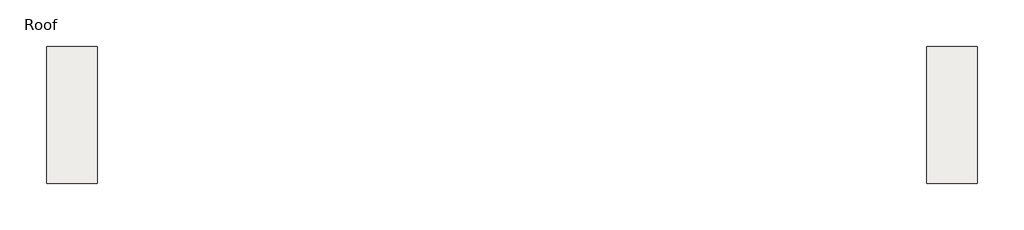
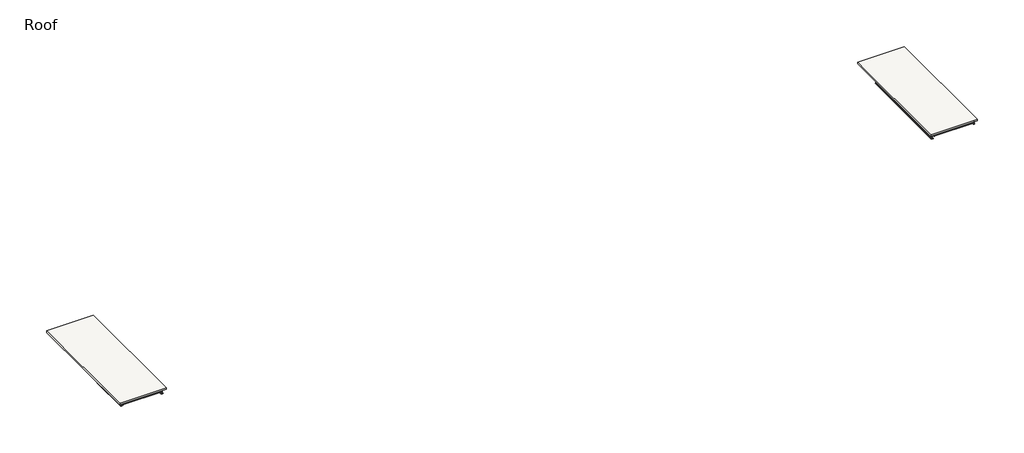
# One storey: 10 beams, 2 slabs.
"""IFC4 building model written with IfcOpenShell, lengths in millimetres."""

import ifcopenshell
import ifcopenshell.guid

model = None  # the IFC model being written
_history = None  # IfcOwnerHistory: only IFC2X3 demands one
_inside = {}  # id of a spatial element -> (the spatial element, [elements in it])
_under = {}  # id of a project, library or spatial element -> (it, [spatial elements below it])
_declared = {}  # id of a project -> (the project, [libraries it declares])
_typed = {}  # id of a type object -> (the type object, [elements of that type])
_made_of = {}  # id of a material, layer set ... -> (it, [elements and type objects made of it])


def new_model(schema):
    """Start an empty IFC model of exactly this schema.

    Asked for "IFC4X3", IfcOpenShell would pick the latest addendum, in which some entities
    have other attributes; the version numbers below select the first issue.
    IFC2X3 requires an IfcOwnerHistory on every rooted entity: one is made here for all.
    """
    global model, _history
    if schema == "IFC4X3":
        model = ifcopenshell.file(schema_version=(4, 3, 0, 0))
    else:
        model = ifcopenshell.file(schema=schema)
    _inside.clear()
    _under.clear()
    _declared.clear()
    _typed.clear()
    _made_of.clear()
    _history = None
    if model.schema == "IFC2X3":
        org = make("IfcOrganization", Name="unknown")
        user = make(
            "IfcPersonAndOrganization",
            ThePerson=make("IfcPerson", FamilyName="unknown"),
            TheOrganization=org,
        )
        app = make(
            "IfcApplication",
            ApplicationDeveloper=org,
            Version="unknown",
            ApplicationFullName="unknown",
            ApplicationIdentifier="unknown",
        )
        _history = make(
            "IfcOwnerHistory",
            OwningUser=user,
            OwningApplication=app,
            ChangeAction="ADDED",
            CreationDate=0,
        )
    return model


def make(cls, **values):
    """One entity of the class cls with the attributes given. An attribute that is None is left unset."""
    return model.create_entity(
        cls, **{name: value for name, value in values.items() if value is not None}
    )


def rooted(cls, **values):
    """An entity with a GlobalId (a new one), such as an element, a storey or a relation."""
    return make(cls, GlobalId=ifcopenshell.guid.new(), OwnerHistory=_history, **values)


def si_unit(unit_type, name, prefix=None):
    """IfcSIUnit, for example si_unit("LENGTHUNIT", "METRE", prefix="MILLI")."""
    return make("IfcSIUnit", UnitType=unit_type, Prefix=prefix, Name=name)


def assignment(units):
    """IfcUnitAssignment: the units of a project."""
    return None if units is None else make("IfcUnitAssignment", Units=units)


def point(xyz):
    """IfcCartesianPoint."""
    return None if xyz is None else make("IfcCartesianPoint", Coordinates=xyz)


def direction(xyz):
    """IfcDirection."""
    return None if xyz is None else make("IfcDirection", DirectionRatios=xyz)


def frame(location, z_axis=None, x_axis=None):
    """IfcAxis2Placement3D, a coordinate frame: its origin and axes. An axis left out is left unset."""
    return make(
        "IfcAxis2Placement3D",
        Location=point(location),
        Axis=direction(z_axis),
        RefDirection=direction(x_axis),
    )


def frame_2d(location, x_axis=None):
    """IfcAxis2Placement2D, a coordinate frame in the plane: its origin and x axis."""
    return make(
        "IfcAxis2Placement2D", Location=point(location), RefDirection=direction(x_axis)
    )


def origin():
    """The frame at (0, 0, 0) with its axes left unset."""
    return frame((0.0, 0.0, 0.0))


def place(relative_to, where):
    """IfcLocalPlacement: puts the frame where relative to a parent placement (None: the world)."""
    return make(
        "IfcLocalPlacement", PlacementRelTo=relative_to, RelativePlacement=where
    )


def context(
    kind, dimensions, precision=None, world=None, true_north=None, identifier=None
):
    """IfcGeometricRepresentationContext, for example the 3D "Model" context."""
    return make(
        "IfcGeometricRepresentationContext",
        ContextIdentifier=identifier,
        ContextType=kind,
        CoordinateSpaceDimension=dimensions,
        Precision=precision,
        WorldCoordinateSystem=world,
        TrueNorth=true_north,
    )


def project(units=None, contexts=None):
    """IfcProject with its units and contexts."""
    return rooted(
        "IfcProject",
        Name="project",
        RepresentationContexts=contexts,
        UnitsInContext=assignment(units),
    )


def spatial(cls, under=None, at=None, **own):
    """A site, building, storey or space (cls), placed at a placement, below another one or the project."""
    s = rooted(cls, ObjectPlacement=at, **own)
    if under is not None:
        _under.setdefault(under.id(), (under, []))[1].append(s)
    return s


def polyline(points):
    """IfcPolyline through the points."""
    return make("IfcPolyline", Points=[point(p) for p in points])


def circle_curve(where, radius):
    """IfcCircle in the frame where."""
    return make("IfcCircle", Position=where, Radius=radius)


def trimmed(basis, trim1, trim2, sense, master):
    """IfcTrimmedCurve: the piece of a basis curve between two trims."""
    return make(
        "IfcTrimmedCurve",
        BasisCurve=basis,
        Trim1=trim1,
        Trim2=trim2,
        SenseAgreement=sense,
        MasterRepresentation=master,
    )


def segment(curve, same_sense, transition):
    """IfcCompositeCurveSegment."""
    return make(
        "IfcCompositeCurveSegment",
        Transition=transition,
        SameSense=same_sense,
        ParentCurve=curve,
    )


def composite_curve(segments, self_intersect=None):
    """IfcCompositeCurve: segments joined end to end."""
    return make("IfcCompositeCurve", Segments=segments, SelfIntersect=self_intersect)


def outline(outer, holes=None, kind="AREA"):
    """IfcArbitraryClosedProfileDef: a profile drawn as a closed curve; with holes, ...WithVoids."""
    if holes is None:
        return make("IfcArbitraryClosedProfileDef", ProfileType=kind, OuterCurve=outer)
    return make(
        "IfcArbitraryProfileDefWithVoids",
        ProfileType=kind,
        OuterCurve=outer,
        InnerCurves=holes,
    )


def extrude(swept, where, along, depth):
    """IfcExtrudedAreaSolid: the profile swept, set in the frame where, extruded along a direction by depth."""
    return make(
        "IfcExtrudedAreaSolid",
        SweptArea=swept,
        Position=where,
        ExtrudedDirection=direction(along),
        Depth=depth,
    )


def faces_of(points, faces, orient=None, outer=None):
    """IfcFace entities. A face is a list of loops; a loop is a list of indices into points, from 0.

    orient and outer hold one flag for each loop. By default every Orientation is true, the
    first loop of a face is its IfcFaceOuterBound and the others are IfcFaceBound.
    """
    made = []
    for i, loops in enumerate(faces):
        bounds = []
        for j, loop in enumerate(loops):
            is_outer = j == 0 if outer is None else outer[i][j]
            bounds.append(
                make(
                    "IfcFaceOuterBound" if is_outer else "IfcFaceBound",
                    Bound=make("IfcPolyLoop", Polygon=[points[k] for k in loop]),
                    Orientation=True if orient is None else orient[i][j],
                )
            )
        made.append(make("IfcFace", Bounds=bounds))
    return made


def faceted_brep(points, faces, orient=None, outer=None, voids=None):
    """IfcFacetedBrep: a solid bounded by flat faces; with voids (closed shells), ...WithVoids."""
    shared = [point(p) for p in points]
    hull = make("IfcClosedShell", CfsFaces=faces_of(shared, faces, orient, outer))
    if voids is None:
        return make("IfcFacetedBrep", Outer=hull)
    return make(
        "IfcFacetedBrepWithVoids",
        Outer=hull,
        Voids=[
            make(cls, CfsFaces=faces_of(shared, fs, o, b)) for cls, fs, o, b in voids
        ],
    )


def shape(context_of_items, identifier, shape_type, items):
    """IfcShapeRepresentation: the items that make up one representation, for example the "Body"."""
    return make(
        "IfcShapeRepresentation",
        ContextOfItems=context_of_items,
        RepresentationIdentifier=identifier,
        RepresentationType=shape_type,
        Items=items,
    )


def source(mapping_origin, context_of_items, identifier, shape_type, items):
    """IfcRepresentationMap: a shape defined once, which mapped items show again and again."""
    return make(
        "IfcRepresentationMap",
        MappingOrigin=mapping_origin,
        MappedRepresentation=shape(context_of_items, identifier, shape_type, items),
    )


def transform(
    local_origin,
    x_axis=None,
    y_axis=None,
    z_axis=None,
    scale=None,
    scale2=None,
    scale3=None,
    uniform=True,
):
    """IfcCartesianTransformationOperator3D, or its non-uniform kind. x_axis, y_axis, z_axis: its Axis1, 2, 3."""
    if uniform:
        return make(
            "IfcCartesianTransformationOperator3D",
            Axis1=direction(x_axis),
            Axis2=direction(y_axis),
            LocalOrigin=point(local_origin),
            Scale=scale,
            Axis3=direction(z_axis),
        )
    return make(
        "IfcCartesianTransformationOperator3DnonUniform",
        Axis1=direction(x_axis),
        Axis2=direction(y_axis),
        LocalOrigin=point(local_origin),
        Scale=scale,
        Axis3=direction(z_axis),
        Scale2=scale2,
        Scale3=scale3,
    )


def mapped(mapping_source, mapping_target):
    """IfcMappedItem: shows the shape of a source again, moved by a transform."""
    return make(
        "IfcMappedItem", MappingSource=mapping_source, MappingTarget=mapping_target
    )


def made_of(thing, what):
    """Note that an element or type object is made of a material, layer set ...; save() writes the relation."""
    if what is not None:
        _made_of.setdefault(what.id(), (what, []))[1].append(thing)
    return thing


def element(
    cls,
    number,
    at=None,
    inside=None,
    cuts=None,
    type_object=None,
    material=None,
    context=None,
    identifier="Body",
    shape_type=None,
    held_by="IfcProductDefinitionShape",
    body=None,
    shapes=None,
    **own,
):
    """One element of the class cls, such as IfcWall. Its Tag is "e" and its number.

    at: its placement. inside: the storey or other place that contains it. cuts: it is an
    opening in that element (IfcRelVoidsElement). A single representation is given by context,
    identifier, shape_type and body (its items); several are given by shapes. held_by: the class
    of the entity that holds the representations. save() writes the other relations.
    """
    e = rooted(cls, Tag="e%d" % number, ObjectPlacement=at, **own)
    if body is not None:
        shapes = [shape(context, identifier, shape_type, body)]
    if shapes is not None:
        e.Representation = make(held_by, Representations=shapes)
    if inside is not None:
        _inside.setdefault(inside.id(), (inside, []))[1].append(e)
    if cuts is not None:
        rooted(
            "IfcRelVoidsElement", RelatingBuildingElement=cuts, RelatedOpeningElement=e
        )
    if type_object is not None:
        _typed.setdefault(type_object.id(), (type_object, []))[1].append(e)
    return made_of(e, material)


def aggregate(whole, parts):
    """IfcRelAggregates: a whole, such as a stair, and the parts it consists of."""
    return rooted("IfcRelAggregates", RelatingObject=whole, RelatedObjects=parts)


def save(model, path):
    """Write the relations noted so far, then the file.

    IfcRelAggregates (storeys below a building ...), IfcRelContainedInSpatialStructure (elements
    in a storey), IfcRelDefinesByType, IfcRelAssociatesMaterial and IfcRelDeclares: one each for
    every whole, place, type object, material and project.
    """
    for whole, parts in _under.values():
        aggregate(whole, parts)
    for where, things in _inside.values():
        rooted(
            "IfcRelContainedInSpatialStructure",
            RelatedElements=things,
            RelatingStructure=where,
        )
    for kind, things in _typed.values():
        rooted("IfcRelDefinesByType", RelatedObjects=things, RelatingType=kind)
    for what, things in _made_of.values():
        rooted("IfcRelAssociatesMaterial", RelatedObjects=things, RelatingMaterial=what)
    for by, libraries in _declared.values():
        rooted("IfcRelDeclares", RelatingContext=by, RelatedDefinitions=libraries)
    model.write(path)


def ipe_section_ipe_120_81919dc7(model_context):
    return source(origin(), model_context, "Body", "SweptSolid", [
        extrude(outline(composite_curve([segment(polyline([(32.0, -53.7), (32.0, -60.0), (-32.0, -60.0), (-32.0, -53.7), (-9.2, -53.7)]), True, "CONTINUOUS"), segment(trimmed(circle_curve(frame_2d((-9.2, -46.7)), 7.0), [point((-9.2, -53.7))], [point((-2.2, -46.7))], True, "CARTESIAN"), True, "CONTINUOUS"), segment(polyline([(-2.2, -46.7), (-2.2, 46.7)]), True, "CONTINUOUS"), segment(trimmed(circle_curve(frame_2d((-9.2, 46.7)), 7.0), [point((-2.2, 46.7))], [point((-9.2, 53.7))], True, "CARTESIAN"), True, "CONTINUOUS"), segment(polyline([(-9.2, 53.7), (-32.0, 53.7), (-32.0, 60.0), (32.0, 60.0), (32.0, 53.7), (9.2, 53.7)]), True, "CONTINUOUS"), segment(trimmed(circle_curve(frame_2d((9.2, 46.7)), 7.0), [point((9.2, 53.7))], [point((2.2, 46.7))], True, "CARTESIAN"), True, "CONTINUOUS"), segment(polyline([(2.2, 46.7), (2.2, -46.7)]), True, "CONTINUOUS"), segment(trimmed(circle_curve(frame_2d((9.2, -46.7)), 7.0), [point((2.2, -46.7))], [point((9.2, -53.7))], True, "CARTESIAN"), True, "CONTINUOUS"), segment(polyline([(9.2, -53.7), (32.0, -53.7)]), True, "CONTINUOUS")], self_intersect=False)), frame((-1054.87123, 0.0, 0.0), z_axis=(1.0, 0.0, 0.0), x_axis=(0.0, 1.0, 0.0)), (0.0, 0.0, 1.0), 2153.1341803),
    ])


def ipe_section_ipe_120_348f894d(model_context):
    return source(origin(), model_context, "Body", "SweptSolid", [
        extrude(outline(composite_curve([segment(polyline([(-32.0, -53.7), (-9.2, -53.7)]), True, "CONTINUOUS"), segment(trimmed(circle_curve(frame_2d((-9.2, -46.7)), 7.0), [point((-9.2, -53.7))], [point((-2.2, -46.7))], True, "CARTESIAN"), True, "CONTINUOUS"), segment(polyline([(-2.2, -46.7), (-2.2, 46.7)]), True, "CONTINUOUS"), segment(trimmed(circle_curve(frame_2d((-9.2, 46.7)), 7.0), [point((-2.2, 46.7))], [point((-9.2, 53.7))], True, "CARTESIAN"), True, "CONTINUOUS"), segment(polyline([(-9.2, 53.7), (-32.0, 53.7), (-32.0, 60.0), (32.0, 60.0), (32.0, 53.7), (9.2, 53.7)]), True, "CONTINUOUS"), segment(trimmed(circle_curve(frame_2d((9.2, 46.7)), 7.0), [point((9.2, 53.7))], [point((2.2, 46.7))], True, "CARTESIAN"), True, "CONTINUOUS"), segment(polyline([(2.2, 46.7), (2.2, -46.7)]), True, "CONTINUOUS"), segment(trimmed(circle_curve(frame_2d((9.2, -46.7)), 7.0), [point((2.2, -46.7))], [point((9.2, -53.7))], True, "CARTESIAN"), True, "CONTINUOUS"), segment(polyline([(9.2, -53.7), (32.0, -53.7), (32.0, -60.0), (-32.0, -60.0), (-32.0, -53.7)]), True, "CONTINUOUS")], self_intersect=False)), frame((-1054.87123, 0.0, 0.0), z_axis=(1.0, 0.0, 0.0), x_axis=(0.0, 1.0, 0.0)), (0.0, 0.0, 1.0), 2153.1341803),
    ])


def ipe_section_ipe_160_3c3d8e82(model_context):
    return source(origin(), model_context, "Body", "SweptSolid", [
        extrude(outline(composite_curve([segment(polyline([(41.0, -72.6), (41.0, -80.0), (-41.0, -80.0), (-41.0, -72.6), (-11.5, -72.6)]), True, "CONTINUOUS"), segment(trimmed(circle_curve(frame_2d((-11.5, -63.6)), 9.0), [point((-11.5, -72.6))], [point((-2.5, -63.6))], True, "CARTESIAN"), True, "CONTINUOUS"), segment(polyline([(-2.5, -63.6), (-2.5, 63.6)]), True, "CONTINUOUS"), segment(trimmed(circle_curve(frame_2d((-11.5, 63.6)), 9.0), [point((-2.5, 63.6))], [point((-11.5, 72.6))], True, "CARTESIAN"), True, "CONTINUOUS"), segment(polyline([(-11.5, 72.6), (-41.0, 72.6), (-41.0, 80.0), (41.0, 80.0), (41.0, 72.6), (11.5, 72.6)]), True, "CONTINUOUS"), segment(trimmed(circle_curve(frame_2d((11.5, 63.6)), 9.0), [point((11.5, 72.6))], [point((2.5, 63.6))], True, "CARTESIAN"), True, "CONTINUOUS"), segment(polyline([(2.5, 63.6), (2.5, -63.6)]), True, "CONTINUOUS"), segment(trimmed(circle_curve(frame_2d((11.5, -63.6)), 9.0), [point((2.5, -63.6))], [point((11.5, -72.6))], True, "CARTESIAN"), True, "CONTINUOUS"), segment(polyline([(11.5, -72.6), (41.0, -72.6)]), True, "CONTINUOUS")], self_intersect=False)), frame((-2029.5129503, 0.0, 0.0), z_axis=(1.0, 0.0, 0.0), x_axis=(0.0, 1.0, 0.0)), (0.0, 0.0, 1.0), 4034.0259006),
    ])


def ipe_section_ipe_160_01956983(model_context):
    return source(origin(), model_context, "Body", "SweptSolid", [
        extrude(outline(composite_curve([segment(polyline([(-41.0, -72.6), (-11.5, -72.6)]), True, "CONTINUOUS"), segment(trimmed(circle_curve(frame_2d((-11.5, -63.6)), 9.0), [point((-11.5, -72.6))], [point((-2.5, -63.6))], True, "CARTESIAN"), True, "CONTINUOUS"), segment(polyline([(-2.5, -63.6), (-2.5, 63.6)]), True, "CONTINUOUS"), segment(trimmed(circle_curve(frame_2d((-11.5, 63.6)), 9.0), [point((-2.5, 63.6))], [point((-11.5, 72.6))], True, "CARTESIAN"), True, "CONTINUOUS"), segment(polyline([(-11.5, 72.6), (-41.0, 72.6), (-41.0, 80.0), (41.0, 80.0), (41.0, 72.6), (11.5, 72.6)]), True, "CONTINUOUS"), segment(trimmed(circle_curve(frame_2d((11.5, 63.6)), 9.0), [point((11.5, 72.6))], [point((2.5, 63.6))], True, "CARTESIAN"), True, "CONTINUOUS"), segment(polyline([(2.5, 63.6), (2.5, -63.6)]), True, "CONTINUOUS"), segment(trimmed(circle_curve(frame_2d((11.5, -63.6)), 9.0), [point((2.5, -63.6))], [point((11.5, -72.6))], True, "CARTESIAN"), True, "CONTINUOUS"), segment(polyline([(11.5, -72.6), (41.0, -72.6), (41.0, -80.0), (-41.0, -80.0), (-41.0, -72.6)]), True, "CONTINUOUS")], self_intersect=False)), frame((-2029.5129503, 0.0, 0.0), z_axis=(1.0, 0.0, 0.0), x_axis=(0.0, 1.0, 0.0)), (0.0, 0.0, 1.0), 4034.0259006),
    ])


def ipe_section_ipe_300_3d24b1d7(model_context):
    return source(origin(), model_context, "Body", "SweptSolid", [
        extrude(outline(composite_curve([segment(polyline([(-75.0, -139.3), (-18.55, -139.3)]), True, "CONTINUOUS"), segment(trimmed(circle_curve(frame_2d((-18.55, -124.3)), 15.0), [point((-18.55, -139.3))], [point((-3.55, -124.3))], True, "CARTESIAN"), True, "CONTINUOUS"), segment(polyline([(-3.55, -124.3), (-3.55, 124.3)]), True, "CONTINUOUS"), segment(trimmed(circle_curve(frame_2d((-18.55, 124.3)), 15.0), [point((-3.55, 124.3))], [point((-18.55, 139.3))], True, "CARTESIAN"), True, "CONTINUOUS"), segment(polyline([(-18.55, 139.3), (-75.0, 139.3), (-75.0, 150.0), (75.0, 150.0), (75.0, 139.3), (18.55, 139.3)]), True, "CONTINUOUS"), segment(trimmed(circle_curve(frame_2d((18.55, 124.3)), 15.0), [point((18.55, 139.3))], [point((3.55, 124.3))], True, "CARTESIAN"), True, "CONTINUOUS"), segment(polyline([(3.55, 124.3), (3.55, -124.3)]), True, "CONTINUOUS"), segment(trimmed(circle_curve(frame_2d((18.55, -124.3)), 15.0), [point((3.55, -124.3))], [point((18.55, -139.3))], True, "CARTESIAN"), True, "CONTINUOUS"), segment(polyline([(18.55, -139.3), (75.0, -139.3), (75.0, -150.0), (-75.0, -150.0), (-75.0, -139.3)]), True, "CONTINUOUS")], self_intersect=False)), frame((-2043.2166667, 0.0, 0.0), z_axis=(1.0, 0.0, 0.0), x_axis=(0.0, 1.0, 0.0)), (0.0, 0.0, 1.0), 4131.1333333),
    ])


def ipe_section_ipe_300_ce413382(model_context):
    return source(origin(), model_context, "Body", "SweptSolid", [
        extrude(outline(composite_curve([segment(polyline([(-75.0, -139.3), (-18.55, -139.3)]), True, "CONTINUOUS"), segment(trimmed(circle_curve(frame_2d((-18.55, -124.3)), 15.0), [point((-18.55, -139.3))], [point((-3.55, -124.3))], True, "CARTESIAN"), True, "CONTINUOUS"), segment(polyline([(-3.55, -124.3), (-3.55, 124.3)]), True, "CONTINUOUS"), segment(trimmed(circle_curve(frame_2d((-18.55, 124.3)), 15.0), [point((-3.55, 124.3))], [point((-18.55, 139.3))], True, "CARTESIAN"), True, "CONTINUOUS"), segment(polyline([(-18.55, 139.3), (-75.0, 139.3), (-75.0, 150.0), (75.0, 150.0), (75.0, 139.3), (18.55, 139.3)]), True, "CONTINUOUS"), segment(trimmed(circle_curve(frame_2d((18.55, 124.3)), 15.0), [point((18.55, 139.3))], [point((3.55, 124.3))], True, "CARTESIAN"), True, "CONTINUOUS"), segment(polyline([(3.55, 124.3), (3.55, -124.3)]), True, "CONTINUOUS"), segment(trimmed(circle_curve(frame_2d((18.55, -124.3)), 15.0), [point((3.55, -124.3))], [point((18.55, -139.3))], True, "CARTESIAN"), True, "CONTINUOUS"), segment(polyline([(18.55, -139.3), (75.0, -139.3), (75.0, -150.0), (-75.0, -150.0), (-75.0, -139.3)]), True, "CONTINUOUS")], self_intersect=False)), frame((-2075.2166661, 0.0, 0.0), z_axis=(1.0, 0.0, 0.0), x_axis=(0.0, 1.0, 0.0)), (0.0, 0.0, 1.0), 4163.1333327),
    ])


def ipe_section_ipe_300_8243e4d9(model_context):
    return source(origin(), model_context, "Body", "SweptSolid", [
        extrude(outline(composite_curve([segment(polyline([(-75.0, -139.3), (-18.55, -139.3)]), True, "CONTINUOUS"), segment(trimmed(circle_curve(frame_2d((-18.55, -124.3)), 15.0), [point((-18.55, -139.3))], [point((-3.55, -124.3))], True, "CARTESIAN"), True, "CONTINUOUS"), segment(polyline([(-3.55, -124.3), (-3.55, 124.3)]), True, "CONTINUOUS"), segment(trimmed(circle_curve(frame_2d((-18.55, 124.3)), 15.0), [point((-3.55, 124.3))], [point((-18.55, 139.3))], True, "CARTESIAN"), True, "CONTINUOUS"), segment(polyline([(-18.55, 139.3), (-75.0, 139.3), (-75.0, 150.0), (75.0, 150.0), (75.0, 139.3), (18.55, 139.3)]), True, "CONTINUOUS"), segment(trimmed(circle_curve(frame_2d((18.55, 124.3)), 15.0), [point((18.55, 139.3))], [point((3.55, 124.3))], True, "CARTESIAN"), True, "CONTINUOUS"), segment(polyline([(3.55, 124.3), (3.55, -124.3)]), True, "CONTINUOUS"), segment(trimmed(circle_curve(frame_2d((18.55, -124.3)), 15.0), [point((3.55, -124.3))], [point((18.55, -139.3))], True, "CARTESIAN"), True, "CONTINUOUS"), segment(polyline([(18.55, -139.3), (75.0, -139.3), (75.0, -150.0), (-75.0, -150.0), (-75.0, -139.3)]), True, "CONTINUOUS")], self_intersect=False)), frame((-2075.2166661, 0.0, 0.0), z_axis=(1.0, 0.0, 0.0), x_axis=(0.0, 1.0, 0.0)), (0.0, 0.0, 1.0), 4204.1333327),
    ])


def ipe_section_ipe_300_d1c9477c(model_context):
    return source(origin(), model_context, "Body", "SweptSolid", [
        extrude(outline(composite_curve([segment(polyline([(75.0, -139.3), (75.0, -150.0), (-75.0, -150.0), (-75.0, -139.3), (-18.55, -139.3)]), True, "CONTINUOUS"), segment(trimmed(circle_curve(frame_2d((-18.55, -124.3)), 15.0), [point((-18.55, -139.3))], [point((-3.55, -124.3))], True, "CARTESIAN"), True, "CONTINUOUS"), segment(polyline([(-3.55, -124.3), (-3.55, 124.3)]), True, "CONTINUOUS"), segment(trimmed(circle_curve(frame_2d((-18.55, 124.3)), 15.0), [point((-3.55, 124.3))], [point((-18.55, 139.3))], True, "CARTESIAN"), True, "CONTINUOUS"), segment(polyline([(-18.55, 139.3), (-75.0, 139.3), (-75.0, 150.0), (75.0, 150.0), (75.0, 139.3), (18.55, 139.3)]), True, "CONTINUOUS"), segment(trimmed(circle_curve(frame_2d((18.55, 124.3)), 15.0), [point((18.55, 139.3))], [point((3.55, 124.3))], True, "CARTESIAN"), True, "CONTINUOUS"), segment(polyline([(3.55, 124.3), (3.55, -124.3)]), True, "CONTINUOUS"), segment(trimmed(circle_curve(frame_2d((18.55, -124.3)), 15.0), [point((3.55, -124.3))], [point((18.55, -139.3))], True, "CARTESIAN"), True, "CONTINUOUS"), segment(polyline([(18.55, -139.3), (75.0, -139.3)]), True, "CONTINUOUS")], self_intersect=False)), frame((-2075.2166661, 0.0, 0.0), z_axis=(1.0, 0.0, 0.0), x_axis=(0.0, 1.0, 0.0)), (0.0, 0.0, 1.0), 4163.1333327),
    ])


def ipe_section_ipe_500_4da601d9(model_context):
    return source(origin(), model_context, "Body", "SweptSolid", [
        extrude(outline(composite_curve([segment(polyline([(100.0, -234.0), (100.0, -250.0), (-100.0, -250.0), (-100.0, -234.0), (-26.1, -234.0)]), True, "CONTINUOUS"), segment(trimmed(circle_curve(frame_2d((-26.1, -213.0)), 21.0), [point((-26.1, -234.0))], [point((-5.1, -213.0))], True, "CARTESIAN"), True, "CONTINUOUS"), segment(polyline([(-5.1, -213.0), (-5.1, 213.0)]), True, "CONTINUOUS"), segment(trimmed(circle_curve(frame_2d((-26.1, 213.0)), 21.0), [point((-5.1, 213.0))], [point((-26.1, 234.0))], True, "CARTESIAN"), True, "CONTINUOUS"), segment(polyline([(-26.1, 234.0), (-100.0, 234.0), (-100.0, 250.0), (100.0, 250.0), (100.0, 234.0), (26.1, 234.0)]), True, "CONTINUOUS"), segment(trimmed(circle_curve(frame_2d((26.1, 213.0)), 21.0), [point((26.1, 234.0))], [point((5.1, 213.0))], True, "CARTESIAN"), True, "CONTINUOUS"), segment(polyline([(5.1, 213.0), (5.1, -213.0)]), True, "CONTINUOUS"), segment(trimmed(circle_curve(frame_2d((26.1, -213.0)), 21.0), [point((5.1, -213.0))], [point((26.1, -234.0))], True, "CARTESIAN"), True, "CONTINUOUS"), segment(polyline([(26.1, -234.0), (100.0, -234.0)]), True, "CONTINUOUS")], self_intersect=False)), frame((-4965.55, 0.0, 0.0), z_axis=(1.0, 0.0, 0.0), x_axis=(0.0, 1.0, 0.0)), (0.0, 0.0, 1.0), 9941.6),
    ])


def ipe_section_ipe_500_75efba81(model_context):
    return source(origin(), model_context, "Body", "SweptSolid", [
        extrude(outline(composite_curve([segment(polyline([(-100.0, -234.0), (-26.1, -234.0)]), True, "CONTINUOUS"), segment(trimmed(circle_curve(frame_2d((-26.1, -213.0)), 21.0), [point((-26.1, -234.0))], [point((-5.1, -213.0))], True, "CARTESIAN"), True, "CONTINUOUS"), segment(polyline([(-5.1, -213.0), (-5.1, 213.0)]), True, "CONTINUOUS"), segment(trimmed(circle_curve(frame_2d((-26.1, 213.0)), 21.0), [point((-5.1, 213.0))], [point((-26.1, 234.0))], True, "CARTESIAN"), True, "CONTINUOUS"), segment(polyline([(-26.1, 234.0), (-100.0, 234.0), (-100.0, 250.0), (100.0, 250.0), (100.0, 234.0), (26.1, 234.0)]), True, "CONTINUOUS"), segment(trimmed(circle_curve(frame_2d((26.1, 213.0)), 21.0), [point((26.1, 234.0))], [point((5.1, 213.0))], True, "CARTESIAN"), True, "CONTINUOUS"), segment(polyline([(5.1, 213.0), (5.1, -213.0)]), True, "CONTINUOUS"), segment(trimmed(circle_curve(frame_2d((26.1, -213.0)), 21.0), [point((5.1, -213.0))], [point((26.1, -234.0))], True, "CARTESIAN"), True, "CONTINUOUS"), segment(polyline([(26.1, -234.0), (100.0, -234.0), (100.0, -250.0), (-100.0, -250.0), (-100.0, -234.0)]), True, "CONTINUOUS")], self_intersect=False)), frame((-4965.55, 0.0, 0.0), z_axis=(1.0, 0.0, 0.0), x_axis=(0.0, 1.0, 0.0)), (0.0, 0.0, 1.0), 9941.6),
    ])


model = new_model("IFC4")

# Units and contexts
model_context = context("Model", 3, world=origin())
ifc_project = project(units=[si_unit("LENGTHUNIT", "METRE", prefix="MILLI")], contexts=[model_context])

# Site, building, storey
site = spatial("IfcSite", under=ifc_project)
building = spatial("IfcBuilding", under=site)
storey = spatial("IfcBuildingStorey", under=building, Name="Roof", Elevation=16700.0)

# Beams
placement = place(None, origin())
ipe_section_ipe_120_shape = ipe_section_ipe_120_81919dc7(model_context)
element("IfcBeam", 1, ObjectType="IPE-Section : IPE 120", at=placement, inside=storey, context=model_context, shape_type="MappedRepresentation", body=[
    mapped(ipe_section_ipe_120_shape, transform((-60811.0378689, -12069.7248986, 16440.0), x_axis=(1.0, 0.0, 0.0), y_axis=(0.0, 1.0, 0.0), z_axis=(0.0, 0.0, 1.0))),
])
ipe_section_ipe_120_2_shape = ipe_section_ipe_120_348f894d(model_context)
element("IfcBeam", 2, ObjectType="IPE-Section : IPE 120", at=placement, inside=storey, context=model_context, shape_type="MappedRepresentation", body=[
    mapped(ipe_section_ipe_120_2_shape, transform((24195.8880318, -12069.7248986, 16440.0), x_axis=(-1.0, 0.0, 0.0), y_axis=(0.0, -1.0, 0.0), z_axis=(0.0, 0.0, 1.0))),
])
ipe_section_ipe_160_shape = ipe_section_ipe_160_3c3d8e82(model_context)
element("IfcBeam", 3, ObjectType="IPE-Section : IPE 160", at=placement, inside=storey, context=model_context, shape_type="MappedRepresentation", body=[
    mapped(ipe_section_ipe_160_shape, transform((-59854.7878689, -24597.2248986, 16420.0), x_axis=(-1.0, 0.0, 0.0), y_axis=(0.0, -1.0, 0.0), z_axis=(0.0, 0.0, 1.0))),
])
ipe_section_ipe_160_2_shape = ipe_section_ipe_160_01956983(model_context)
element("IfcBeam", 4, ObjectType="IPE-Section : IPE 160", at=placement, inside=storey, context=model_context, shape_type="MappedRepresentation", body=[
    mapped(ipe_section_ipe_160_2_shape, transform((23239.6380318, -24597.2248986, 16420.0), x_axis=(1.0, 0.0, 0.0), y_axis=(0.0, 1.0, 0.0), z_axis=(0.0, 0.0, 1.0))),
])
ipe_section_ipe_300_shape = ipe_section_ipe_300_3d24b1d7(model_context)
element("IfcBeam", 5, ObjectType="IPE-Section : IPE 300", at=placement, inside=storey, context=model_context, shape_type="MappedRepresentation", body=[
    mapped(ipe_section_ipe_300_shape, transform((25331.8509821, -14157.6415653, 16350.0), x_axis=(0.0, -1.0, 0.0), y_axis=(1.0, 0.0, 0.0), z_axis=(0.0, 0.0, 1.0))),
])
ipe_section_ipe_300_2_shape = ipe_section_ipe_300_ce413382(model_context)
element("IfcBeam", 6, ObjectType="IPE-Section : IPE 300", at=placement, inside=storey, context=model_context, shape_type="MappedRepresentation", body=[
    mapped(ipe_section_ipe_300_2_shape, transform((25331.8509821, -18333.4748986, 16350.0), x_axis=(0.0, -1.0, 0.0), y_axis=(1.0, 0.0, 0.0), z_axis=(0.0, 0.0, 1.0))),
])
ipe_section_ipe_300_3_shape = ipe_section_ipe_300_8243e4d9(model_context)
element("IfcBeam", 7, ObjectType="IPE-Section : IPE 300", at=placement, inside=storey, context=model_context, shape_type="MappedRepresentation", body=[
    mapped(ipe_section_ipe_300_3_shape, transform((25331.8509821, -22509.308232, 16350.0), x_axis=(0.0, -1.0, 0.0), y_axis=(1.0, 0.0, 0.0), z_axis=(0.0, 0.0, 1.0))),
])
ipe_section_ipe_300_4_shape = ipe_section_ipe_300_d1c9477c(model_context)
element("IfcBeam", 8, ObjectType="IPE-Section : IPE 300", at=placement, inside=storey, context=model_context, shape_type="MappedRepresentation", body=[
    mapped(ipe_section_ipe_300_4_shape, transform((-61947.0008192, -22509.308232, 16350.0), x_axis=(0.0, -1.0, 0.0), y_axis=(1.0, 0.0, 0.0), z_axis=(0.0, 0.0, 1.0))),
])
ipe_section_ipe_500_shape = ipe_section_ipe_500_4da601d9(model_context)
element("IfcBeam", 9, ObjectType="IPE-Section : IPE 500", at=placement, inside=storey, context=model_context, shape_type="MappedRepresentation", body=[
    mapped(ipe_section_ipe_500_shape, transform((-57712.5749186, -19533.4748986, 16250.0), x_axis=(0.0, 1.0, 0.0), y_axis=(-1.0, 0.0, 0.0), z_axis=(0.0, 0.0, 1.0))),
])
ipe_section_ipe_500_2_shape = ipe_section_ipe_500_75efba81(model_context)
element("IfcBeam", 10, ObjectType="IPE-Section : IPE 500", at=placement, inside=storey, context=model_context, shape_type="MappedRepresentation", body=[
    mapped(ipe_section_ipe_500_2_shape, transform((21097.4250814, -19533.4748986, 16250.0), x_axis=(0.0, 1.0, 0.0), y_axis=(-1.0, 0.0, 0.0), z_axis=(0.0, 0.0, 1.0))),
])

# Slabs
element("IfcSlab", 11, ObjectType="Metal Deck Composite Slab 70/200", at=placement, inside=storey, context=model_context, shape_type="Brep", body=[
    faceted_brep([(-62230.4348085, -11787.2248986, 16500.0), (-59550.0749186, -11787.2248986, 16500.0), (-57425.0749186, -11787.2248986, 16500.0), (-57425.0749186, -11937.2248986, 16500.0), (-57425.0749186, -24727.2248986, 16500.0), (-62230.4348085, -24727.2248986, 16500.0), (-62230.4348085, -11787.2248986, 16700.0), (-62230.4348085, -24727.2248986, 16700.0), (-57425.0749186, -24727.2248986, 16700.0), (-57425.0749186, -11787.2248986, 16700.0)], [[[0, 1, 2, 3, 4, 5]], [[6, 7, 8, 9]], [[2, 1, 0, 6, 9]], [[4, 3, 2, 9, 8]], [[5, 4, 8, 7]], [[0, 5, 7, 6]]]),
])
element("IfcSlab", 12, ObjectType="Metal Deck Composite Slab 70/200", at=placement, inside=storey, context=model_context, shape_type="SweptSolid", body=[
    extrude(outline(polyline([(25615.2849713, -11787.2248986), (25615.2849713, -24727.2248986), (20809.9250814, -24727.2248986), (20809.9250814, -11787.2248986), (25615.2849713, -11787.2248986)])), frame((0.0, 0.0, 16500.0), z_axis=(0.0, 0.0, 1.0), x_axis=(1.0, 0.0, 0.0)), (0.0, 0.0, 1.0), 200.0),
])

save(model, "model.ifc")
